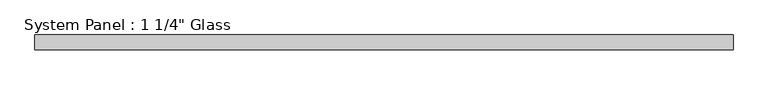
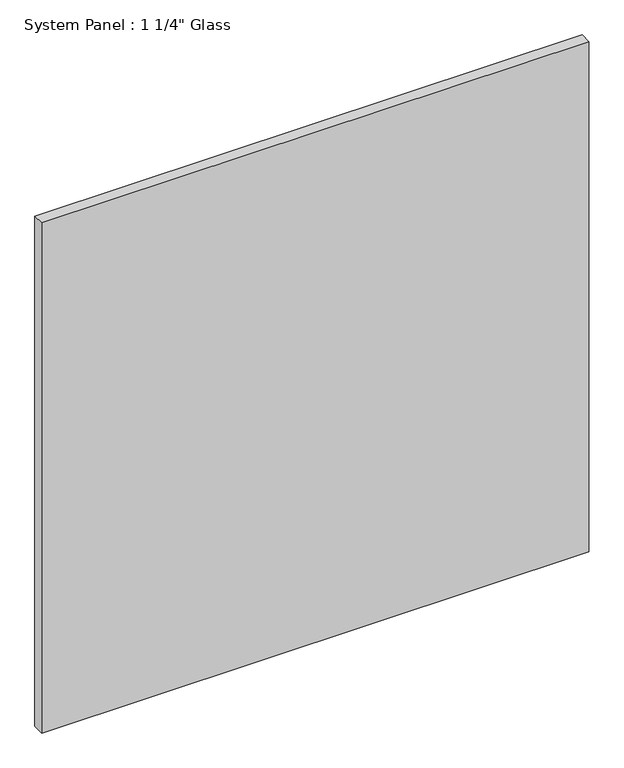
"""IFC4 building model written with IfcOpenShell, lengths in millimetres: plate geometry."""

from ifc_helpers import new_model, si_unit, origin, origin_with_axes, place, context, project, spatial, polyline, outline, extrude, source, transform, mapped, element, save


def plate_733d4dbc(model_context):
    return source(origin(), model_context, "Body", "SweptSolid", [
        extrude(outline(polyline([(746.11865, -40.48125), (-746.11865, -40.48125), (-746.11865, -8.73125), (746.11865, -8.73125), (746.11865, -40.48125)])), origin_with_axes(), (0.0, 0.0, 1.0), 1471.1843843),
    ])


if __name__ == "__main__":
    model = new_model("IFC4")
    model_context = context("Model", 3, world=origin())
    ifc_project = project(units=[si_unit("LENGTHUNIT", "METRE", prefix="MILLI")], contexts=[model_context])
    site = spatial("IfcSite", under=ifc_project)
    building = spatial("IfcBuilding", under=site)
    placement = place(None, origin())
    plate_shape = plate_733d4dbc(model_context)
    element("IfcPlate", 1, ObjectType="System Panel : 1 1/4\" Glass", at=placement, inside=building, context=model_context, shape_type="MappedRepresentation", body=[
        mapped(plate_shape, transform((0.0, 0.0, 0.0), x_axis=(1.0, 0.0, 0.0), y_axis=(0.0, 1.0, 0.0), z_axis=(0.0, 0.0, 1.0))),
    ])
    save(model, "model.ifc")
